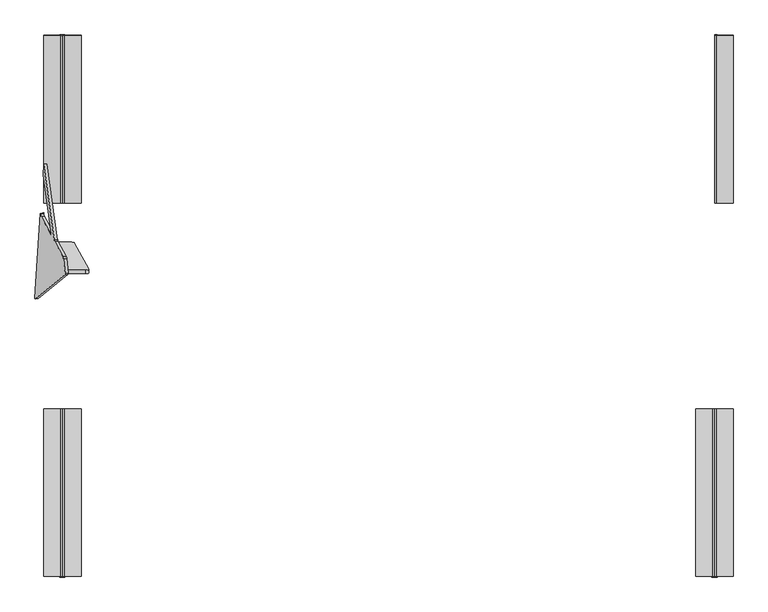
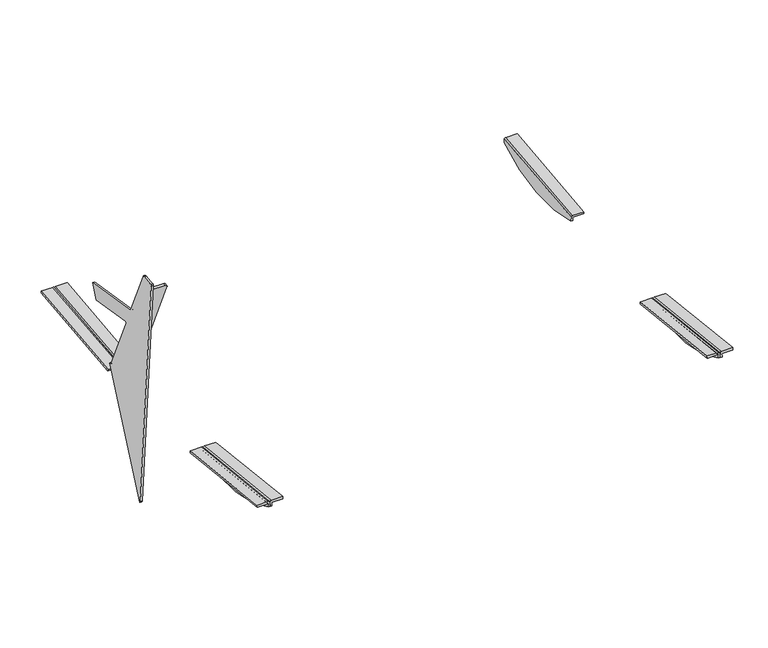
"""IFC4 building model written with IfcOpenShell, lengths in millimetres: furniture geometry."""

from ifc_helpers import new_model, si_unit, frame, origin, place, context, project, spatial, polyline, circle_curve, ellipse_curve, source, transform, mapped, element, save
from ifc_brep_helpers import plane_surface, cylinder_surface, revolved_surface, advanced_brep


def furniture_ec8e394f(model_context):
    return source(origin(), model_context, "Body", "AdvancedBrep", [
        advanced_brep(
        [(813.6175866, 1032.0535086, 392.7020678), (813.6175866, 614.3955054, 347.1443157), (813.6175866, 612.6552624, 363.1060105), (813.6175866, 1030.315645, 408.6419375), (819.6131806, 614.3955054, 347.1443157), (819.6131806, 1032.0535086, 392.7020678), (819.6131806, 1030.7774035, 404.4066392), (819.6131806, 613.1170209, 358.8707122), (817.6175866, 1029.8821093, 412.6183739), (859.6028254, 1029.8821093, 412.6183739), (859.6028254, 1030.6743217, 405.3521172), (820.5642613, 1030.6743217, 405.3521172), (820.5642613, 613.013939, 359.8161902), (859.6028254, 613.013939, 359.8161902), (859.6028254, 612.2217266, 367.0824469), (817.6175866, 612.2217266, 367.0824469)],
        [
            (0, 1, circle_curve(frame((813.6175866, 770.7220857, 851.2475639), z_axis=(-1.0, 0.0, 0.0), x_axis=(0.0, 1.0, 0.0)), 527.7860216)),
            (1, 2),
            (2, 3),
            (3, 0),
            (4, 5, circle_curve(frame((819.6131806, 770.7220857, 851.2475639), z_axis=(1.0, 0.0, 0.0), x_axis=(0.0, 1.0, 0.0)), 527.7860216)),
            (5, 6),
            (6, 7),
            (7, 4),
            (5, 0),
            (3, 8, circle_curve(frame((817.6175866, 1030.315645, 408.6419375), z_axis=(0.0, 0.9941091089617909, 0.10838394474826071), x_axis=(0.0, 0.10838394474826071, -0.9941091089617909)), 4.0)),
            (8, 9),
            (9, 10),
            (10, 11),
            (11, 6, circle_curve(frame((820.5642613, 1030.7774035, 404.4066392), z_axis=(0.0, -0.9941091089617909, -0.10838394474826071), x_axis=(0.0, 0.10838394474826071, -0.9941091089617909)), 0.9510807)),
            (4, 1),
            (7, 12, circle_curve(frame((820.5642613, 613.1170209, 358.8707122), z_axis=(0.0, 0.9941091089617909, 0.10838394474826071), x_axis=(0.0, 0.10838394474826071, -0.9941091089617909)), 0.9510807)),
            (12, 13),
            (13, 14),
            (14, 15),
            (15, 2, circle_curve(frame((817.6175866, 612.6552624, 363.1060105), z_axis=(0.0, -0.9941091089617909, -0.10838394474826071), x_axis=(0.0, 0.10838394474826071, -0.9941091089617909)), 4.0)),
            (9, 14),
            (13, 10),
            (12, 11),
            (15, 8),
        ],
        [
            plane_surface(frame((813.6175866, 1030.8114815, 404.0940726), z_axis=(-1.0, 0.0, 0.0), x_axis=(0.0, 0.10838394474826071, -0.9941091089617909))),
            plane_surface(frame((819.6131806, 1030.8114815, 404.0940726), z_axis=(1.0, 0.0, 0.0), x_axis=(0.0, -0.10838394474826071, 0.9941091089617909))),
            plane_surface(frame((813.6175866, 1030.8114815, 404.0940726), z_axis=(0.0, 0.9941091089617909, 0.10838394474826071), x_axis=(1.0, 0.0, 0.0))),
            cylinder_surface(frame((819.6131806, 770.7220857, 851.2475639), z_axis=(-1.0, 0.0, 0.0), x_axis=(0.0, 1.0, 0.0)), 527.7860216),
            plane_surface(frame((813.6175866, 614.3955054, 347.1443157), z_axis=(0.0, -0.994109108961791, -0.10838394474826041), x_axis=(1.0, 0.0, 0.0))),
            plane_surface(frame((859.6028254, 1029.8821093, 412.6183739), z_axis=(1.0000000000000002, 0.0, 0.0), x_axis=(0.0, -0.994109108961791, -0.10838394474826081))),
            plane_surface(frame((859.6028254, 1030.6743217, 405.3521172), z_axis=(0.0, 0.10838394474826064, -0.994109108961791), x_axis=(0.0, -0.994109108961791, -0.10838394474826064))),
            revolved_surface(polyline([(820.5642613, 613.220102757714, 357.9252342105562), (820.5642613, 1030.8804854548553, 403.46116123677587)]), (820.5642613, 613.1170209, 358.8707122), (0.0, -0.9941091089617909, -0.10838394474826071)),
            cylinder_surface(frame((817.6175866, 612.6552624, 363.1060105), z_axis=(0.0, 0.9941091089617909, 0.10838394474826071), x_axis=(0.0, 0.10838394474826071, -0.9941091089617909)), 4.0),
            plane_surface(frame((817.6175866, 1029.8821093, 412.6183739), z_axis=(0.0, -0.10838394474826081, 0.994109108961791), x_axis=(0.0, -0.994109108961791, -0.10838394474826081))),
        ],
        [
            (0, [[1, 2, 3, 4]]),
            (1, [[5, 6, 7, 8]]),
            (2, [[-6, 9, -4, 10, 11, 12, 13, 14]]),
            (3, [[-1, -9, -5, 15]]),
            (4, [[-2, -15, -8, 16, 17, 18, 19, 20]]),
            (5, [[-12, 21, -18, 22]]),
            (6, [[-13, -22, -17, 23]]),
            (7, [[-14, -23, -16, -7]]),
            (8, [[-10, -3, -20, 24]]),
            (9, [[-11, -24, -19, -21]]),
        ],
    ),
        advanced_brep(
        [(859.6028254, -318.9270883, 412.6183739), (817.6175866, -318.9270883, 412.6183739), (813.6175866, -319.360624, 408.6419375), (813.6175866, -319.8564605, 404.0940726), (813.6175866, -321.0984876, 392.7020678), (819.6131806, -321.0984876, 392.7020678), (819.6131806, -319.8223825, 404.4066392), (820.5642613, -319.7193007, 405.3521172), (859.6028254, -319.7193007, 405.3521172), (859.6028254, 98.7332944, 367.0824469), (859.6028254, 97.941082, 359.8161902), (820.5642613, 97.941082, 359.8161902), (819.6131806, 97.8380001, 358.8707122), (819.6131806, 96.5595156, 347.1443157), (813.6175866, 96.5595156, 347.1443157), (813.6175866, 97.8039221, 358.5581456), (813.6175866, 98.2997586, 363.1060105), (817.6175866, 98.7332944, 367.0824469)],
        [
            (0, 1),
            (1, 2, circle_curve(frame((817.6175866, -319.360624, 408.6419375), z_axis=(0.0, -0.9941091089617909, 0.10838394474826071), x_axis=(0.0, -0.10838394474826071, -0.9941091089617909)), 4.0)),
            (2, 3),
            (3, 4),
            (4, 5),
            (5, 6),
            (6, 7, circle_curve(frame((820.5642613, -319.8223825, 404.4066392), z_axis=(0.0, 0.9941091089617909, -0.10838394474826071), x_axis=(0.0, -0.10838394474826071, -0.9941091089617909)), 0.9510807)),
            (7, 8),
            (8, 0),
            (9, 10),
            (10, 11),
            (11, 12, circle_curve(frame((820.5642613, 97.8380001, 358.8707122), z_axis=(0.0, -0.9941091089617909, 0.10838394474826071), x_axis=(0.0, -0.10838394474826071, -0.9941091089617909)), 0.9510807)),
            (12, 13),
            (13, 14),
            (14, 15),
            (15, 16),
            (16, 17, circle_curve(frame((817.6175866, 98.2997586, 363.1060105), z_axis=(0.0, 0.9941091089617909, -0.10838394474826071), x_axis=(0.0, -0.10838394474826071, -0.9941091089617909)), 4.0)),
            (17, 9),
            (8, 10),
            (9, 0),
            (7, 11),
            (6, 12),
            (5, 13, circle_curve(frame((819.6131806, -59.7670647, 851.2475639), z_axis=(1.0, 0.0, 0.0), x_axis=(0.0, -1.0, 0.0)), 527.7860216)),
            (3, 15),
            (14, 4, circle_curve(frame((813.6175866, -59.7670647, 851.2475639), z_axis=(-1.0, 0.0, 0.0), x_axis=(0.0, -1.0, 0.0)), 527.7860216)),
            (2, 16),
            (1, 17),
        ],
        [
            plane_surface(frame((813.6175929, -318.9270883, 412.6183739), z_axis=(0.0, -0.9941091089617909, 0.10838394474826071), x_axis=(-1.0, 0.0, 0.0))),
            plane_surface(frame((813.6175929, 98.7332944, 367.0824469), z_axis=(0.0, 0.9941091089617909, -0.10838394474826071), x_axis=(1.0, 0.0, 0.0))),
            plane_surface(frame((859.6028254, -319.7193007, 405.3521172), z_axis=(1.0000000000000002, 0.0, 0.0), x_axis=(0.0, 0.994109108961791, -0.10838394474826066))),
            plane_surface(frame((820.5642613, -319.7193007, 405.3521172), z_axis=(0.0, -0.10838394474826066, -0.994109108961791), x_axis=(0.0, 0.994109108961791, -0.10838394474826066))),
            revolved_surface(polyline([(820.5642613, 97.73491824228601, 357.9252342105562), (820.5642613, -319.92546445485533, 403.46116123677587)]), (820.5642613, 97.8380001, 358.8707122), (0.0, 0.9941091089617909, -0.10838394474826071)),
            plane_surface(frame((819.6131806, -320.2027771, 400.9176199), z_axis=(1.0000000000000002, 0.0, 0.0), x_axis=(0.0, 0.994109108961791, -0.10838394474826066))),
            plane_surface(frame((813.6175866, -319.8564605, 404.0940726), z_axis=(-1.0000000000000002, 0.0, 0.0), x_axis=(0.0, 0.994109108961791, -0.10838394474826064))),
            plane_surface(frame((813.6175866, -319.360624, 408.6419375), z_axis=(-1.0000000000000002, 0.0, 0.0), x_axis=(0.0, 0.994109108961791, -0.10838394474826066))),
            cylinder_surface(frame((817.6175866, 98.2997586, 363.1060105), z_axis=(0.0, -0.9941091089617909, 0.10838394474826071), x_axis=(0.0, -0.10838394474826071, -0.9941091089617909)), 4.0),
            plane_surface(frame((859.6028254, -318.9270883, 412.6183739), z_axis=(0.0, 0.10838394474826066, 0.994109108961791), x_axis=(0.0, 0.994109108961791, -0.10838394474826066))),
            cylinder_surface(frame((819.6131806, -59.7670647, 851.2475639), z_axis=(-1.0, 0.0, 0.0), x_axis=(0.0, -1.0, 0.0)), 527.7860216),
        ],
        [
            (0, [[1, 2, 3, 4, 5, 6, 7, 8, 9]]),
            (1, [[10, 11, 12, 13, 14, 15, 16, 17, 18]]),
            (2, [[-9, 19, -10, 20]]),
            (3, [[-8, 21, -11, -19]]),
            (4, [[-7, 22, -12, -21]]),
            (5, [[-13, -22, -6, 23]]),
            (6, [[-4, 24, -15, 25]]),
            (7, [[-3, 26, -16, -24]]),
            (8, [[-2, 27, -17, -26]]),
            (9, [[-1, -20, -18, -27]]),
            (10, [[-25, -14, -23, -5]]),
        ],
    ),
        advanced_brep(
        [(766.5577736, -318.9102447, 412.772865), (766.5577736, -319.7193007, 405.3521172), (805.5963377, -319.7193007, 405.3521172), (806.5474184, -319.8223825, 404.4066392), (806.5474184, -321.0984876, 392.7020678), (812.5430123, -321.0984876, 392.7020678), (812.5430123, -319.8564605, 404.0940726), (812.5430123, -319.3437805, 408.7964286), (808.5430123, -318.9102447, 412.772865), (766.5577736, 98.750138, 367.236938), (808.5430123, 98.750138, 367.236938), (812.5430123, 98.3166022, 363.2605016), (812.5430123, 97.8039221, 358.5581456), (812.5430123, 96.5595156, 347.1443157), (806.5474184, 96.5595156, 347.1443157), (806.5474184, 97.8380001, 358.8707122), (805.5963377, 97.941082, 359.8161902), (766.5577736, 97.941082, 359.8161902)],
        [
            (0, 1),
            (1, 2),
            (2, 3, circle_curve(frame((805.5963377, -319.8223825, 404.4066392), z_axis=(0.0, 0.9941091089617909, -0.10838394474826071), x_axis=(0.0, -0.10838394474826071, -0.9941091089617909)), 0.9510807)),
            (3, 4),
            (4, 5),
            (5, 6),
            (6, 7),
            (7, 8, circle_curve(frame((808.5430123, -319.3437805, 408.7964286), z_axis=(0.0, -0.9941091089617909, 0.10838394474826071), x_axis=(0.0, -0.10838394474826071, -0.9941091089617909)), 4.0)),
            (8, 0),
            (9, 10),
            (10, 11, circle_curve(frame((808.5430123, 98.3166022, 363.2605016), z_axis=(0.0, 0.9941091089617909, -0.10838394474826071), x_axis=(0.0, -0.10838394474826071, -0.9941091089617909)), 4.0)),
            (11, 12),
            (12, 13),
            (13, 14),
            (14, 15),
            (15, 16, circle_curve(frame((805.5963377, 97.8380001, 358.8707122), z_axis=(0.0, -0.9941091089617909, 0.10838394474826071), x_axis=(0.0, -0.10838394474826071, -0.9941091089617909)), 0.9510807)),
            (16, 17),
            (17, 9),
            (0, 9),
            (17, 1),
            (16, 2),
            (15, 3),
            (14, 4, circle_curve(frame((806.5474184, -59.7670647, 851.2475639), z_axis=(-1.0, 0.0, 0.0), x_axis=(0.0, -1.0, 0.0)), 527.7860216)),
            (5, 13, circle_curve(frame((812.5430123, -59.7670647, 851.2475639), z_axis=(1.0, 0.0, 0.0), x_axis=(0.0, -1.0, 0.0)), 527.7860216)),
            (12, 6),
            (11, 7),
            (10, 8),
        ],
        [
            plane_surface(frame((766.5577736, -319.8423819, 404.223203), z_axis=(0.0, -0.9941091089617909, 0.10838394474826071), x_axis=(0.0, -0.10838394474826071, -0.9941091089617909))),
            plane_surface(frame((766.5577736, 97.8180007, 358.6872759), z_axis=(0.0, 0.9941091089617909, -0.10838394474826071), x_axis=(0.0, 0.10838394474826071, 0.9941091089617909))),
            plane_surface(frame((766.5577736, -318.9102447, 412.772865), z_axis=(-1.0000000000000002, 0.0, 0.0), x_axis=(0.0, 0.994109108961791, -0.10838394474826066))),
            plane_surface(frame((766.5577736, -319.7193007, 405.3521172), z_axis=(0.0, -0.10838394474826069, -0.994109108961791), x_axis=(0.0, 0.994109108961791, -0.10838394474826069))),
            revolved_surface(polyline([(805.5963377, 97.73491824228601, 357.9252342105562), (805.5963377, -319.92546445485533, 403.46116123677587)]), (805.5963377, 97.8380001, 358.8707122), (0.0, 0.9941091089617909, -0.10838394474826071)),
            plane_surface(frame((806.5474184, -319.8223825, 404.4066392), z_axis=(-1.0000000000000002, 0.0, 0.0), x_axis=(0.0, 0.994109108961791, -0.10838394474826064))),
            plane_surface(frame((812.5430123, -320.2027771, 400.9176199), z_axis=(1.0000000000000002, 0.0, 0.0), x_axis=(0.0, 0.994109108961791, -0.10838394474826066))),
            plane_surface(frame((812.5430123, -319.8564605, 404.0940726), z_axis=(1.0000000000000002, 0.0, 0.0), x_axis=(0.0, 0.994109108961791, -0.10838394474826066))),
            cylinder_surface(frame((808.5430123, 98.3166022, 363.2605016), z_axis=(0.0, -0.9941091089617909, 0.10838394474826071), x_axis=(0.0, -0.10838394474826071, -0.9941091089617909)), 4.0),
            plane_surface(frame((808.5430123, -318.9102447, 412.772865), z_axis=(0.0, 0.10838394474826066, 0.994109108961791), x_axis=(0.0, 0.994109108961791, -0.10838394474826066))),
            cylinder_surface(frame((806.5474184, -59.7670647, 851.2475639), z_axis=(1.0, 0.0, 0.0), x_axis=(0.0, -1.0, 0.0)), 527.7860216),
        ],
        [
            (0, [[1, 2, 3, 4, 5, 6, 7, 8, 9]]),
            (1, [[10, 11, 12, 13, 14, 15, 16, 17, 18]]),
            (2, [[-1, 19, -18, 20]]),
            (3, [[-2, -20, -17, 21]]),
            (4, [[-3, -21, -16, 22]]),
            (5, [[-4, -22, -15, 23]]),
            (6, [[-6, 24, -13, 25]]),
            (7, [[-7, -25, -12, 26]]),
            (8, [[-8, -26, -11, 27]]),
            (9, [[-9, -27, -10, -19]]),
            (10, [[-24, -5, -23, -14]]),
        ],
    ),
        advanced_brep(
        [(-859.6028254, -318.8982426, 412.8829495), (-859.6028254, -319.7193007, 405.3521172), (-820.5642613, -319.7193007, 405.3521172), (-819.6131806, -319.8223825, 404.4066392), (-819.6131806, -321.0984876, 392.7020678), (-813.6175866, -321.0984876, 392.7020678), (-813.6175866, -319.8564605, 404.0940726), (-813.6175866, -319.3317784, 408.9065131), (-817.6175866, -318.8982426, 412.8829495), (-859.6028254, 98.76214, 367.3470225), (-817.6175866, 98.76214, 367.3470225), (-813.6175866, 98.3286043, 363.3705861), (-813.6175866, 97.8039221, 358.5581456), (-813.6175866, 96.5595156, 347.1443157), (-819.6131806, 96.5595156, 347.1443157), (-819.6131806, 97.8380001, 358.8707122), (-820.5642613, 97.941082, 359.8161902), (-859.6028254, 97.941082, 359.8161902)],
        [
            (0, 1),
            (1, 2),
            (2, 3, circle_curve(frame((-820.5642613, -319.8223825, 404.4066392), z_axis=(0.0, 0.9941091089617909, -0.10838394474826071), x_axis=(0.0, -0.10838394474826071, -0.9941091089617909)), 0.9510807)),
            (3, 4),
            (4, 5),
            (5, 6),
            (6, 7),
            (7, 8, circle_curve(frame((-817.6175866, -319.3317784, 408.9065131), z_axis=(0.0, -0.9941091089617909, 0.10838394474826071), x_axis=(0.0, -0.10838394474826071, -0.9941091089617909)), 4.0)),
            (8, 0),
            (9, 10),
            (10, 11, circle_curve(frame((-817.6175866, 98.3286043, 363.3705861), z_axis=(0.0, 0.9941091089617909, -0.10838394474826071), x_axis=(0.0, -0.10838394474826071, -0.9941091089617909)), 4.0)),
            (11, 12),
            (12, 13),
            (13, 14),
            (14, 15),
            (15, 16, circle_curve(frame((-820.5642613, 97.8380001, 358.8707122), z_axis=(0.0, -0.9941091089617909, 0.10838394474826071), x_axis=(0.0, -0.10838394474826071, -0.9941091089617909)), 0.9510807)),
            (16, 17),
            (17, 9),
            (0, 9),
            (17, 1),
            (16, 2),
            (15, 3),
            (14, 4, circle_curve(frame((-819.6131806, -59.7670647, 851.2475639), z_axis=(-1.0, 0.0, 0.0), x_axis=(0.0, -1.0, 0.0)), 527.7860216)),
            (5, 13, circle_curve(frame((-813.6175866, -59.7670647, 851.2475639), z_axis=(1.0, 0.0, 0.0), x_axis=(0.0, -1.0, 0.0)), 527.7860216)),
            (12, 6),
            (11, 7),
            (10, 8),
        ],
        [
            plane_surface(frame((-859.6028254, -319.8423819, 404.223203), z_axis=(0.0, -0.9941091089617909, 0.10838394474826071), x_axis=(0.0, -0.10838394474826071, -0.9941091089617909))),
            plane_surface(frame((-859.6028254, 97.8180007, 358.6872759), z_axis=(0.0, 0.9941091089617909, -0.10838394474826071), x_axis=(0.0, 0.10838394474826071, 0.9941091089617909))),
            plane_surface(frame((-859.6028254, -318.8982426, 412.8829495), z_axis=(-1.0000000000000002, 0.0, 0.0), x_axis=(0.0, 0.994109108961791, -0.10838394474826066))),
            plane_surface(frame((-859.6028254, -319.7193007, 405.3521172), z_axis=(0.0, -0.10838394474826069, -0.994109108961791), x_axis=(0.0, 0.994109108961791, -0.10838394474826069))),
            revolved_surface(polyline([(-820.5642613, 97.73491824228601, 357.9252342105562), (-820.5642613, -319.92546445485533, 403.46116123677587)]), (-820.5642613, 97.8380001, 358.8707122), (0.0, 0.9941091089617909, -0.10838394474826071)),
            plane_surface(frame((-819.6131806, -319.8223825, 404.4066392), z_axis=(-1.0000000000000002, 0.0, 0.0), x_axis=(0.0, 0.994109108961791, -0.10838394474826064))),
            plane_surface(frame((-813.6175866, -320.2027771, 400.9176199), z_axis=(1.0000000000000002, 0.0, 0.0), x_axis=(0.0, 0.994109108961791, -0.10838394474826066))),
            plane_surface(frame((-813.6175866, -319.8564605, 404.0940726), z_axis=(1.0000000000000002, 0.0, 0.0), x_axis=(0.0, 0.994109108961791, -0.10838394474826066))),
            cylinder_surface(frame((-817.6175866, 98.3286043, 363.3705861), z_axis=(0.0, -0.9941091089617909, 0.10838394474826071), x_axis=(0.0, -0.10838394474826071, -0.9941091089617909)), 4.0),
            plane_surface(frame((-817.6175866, -318.8982426, 412.8829495), z_axis=(0.0, 0.10838394474826066, 0.994109108961791), x_axis=(0.0, 0.994109108961791, -0.10838394474826066))),
            cylinder_surface(frame((-819.6131806, -59.7670647, 851.2475639), z_axis=(1.0, 0.0, 0.0), x_axis=(0.0, -1.0, 0.0)), 527.7860216),
        ],
        [
            (0, [[1, 2, 3, 4, 5, 6, 7, 8, 9]]),
            (1, [[10, 11, 12, 13, 14, 15, 16, 17, 18]]),
            (2, [[-1, 19, -18, 20]]),
            (3, [[-2, -20, -17, 21]]),
            (4, [[-3, -21, -16, 22]]),
            (5, [[-4, -22, -15, 23]]),
            (6, [[-6, 24, -13, 25]]),
            (7, [[-7, -25, -12, 26]]),
            (8, [[-8, -26, -11, 27]]),
            (9, [[-9, -27, -10, -19]]),
            (10, [[-24, -5, -23, -14]]),
        ],
    ),
        advanced_brep(
        [(-812.5430123, 96.5595156, 347.1443157), (-812.5430123, -321.0984876, 392.7020678), (-812.5430123, -319.3233644, 408.9836866), (-812.5430123, 98.3370182, 363.4477596), (-806.5474184, -321.0984876, 392.7020678), (-806.5474184, 96.5595156, 347.1443157), (-806.5474184, 97.8380001, 358.8707122), (-806.5474184, -319.8223825, 404.4066392), (-805.5963377, -319.7193007, 405.3521172), (-766.5577736, -319.7193007, 405.3521172), (-766.5577736, -318.8898286, 412.9601231), (-808.5430123, -318.8898286, 412.9601231), (-808.5430123, 98.770554, 367.4241961), (-766.5577736, 98.770554, 367.4241961), (-766.5577736, 97.941082, 359.8161902), (-805.5963377, 97.941082, 359.8161902)],
        [
            (0, 1, circle_curve(frame((-812.5430123, -59.7670647, 851.2475639), z_axis=(-1.0, 0.0, 0.0), x_axis=(0.0, -1.0, 0.0)), 527.7860216)),
            (1, 2),
            (2, 3),
            (3, 0),
            (4, 5, circle_curve(frame((-806.5474184, -59.7670647, 851.2475639), z_axis=(1.0, 0.0, 0.0), x_axis=(0.0, -1.0, 0.0)), 527.7860216)),
            (5, 6),
            (6, 7),
            (7, 4),
            (1, 4),
            (7, 8, circle_curve(frame((-805.5963377, -319.8223825, 404.4066392), z_axis=(0.0, 0.9941091089617909, -0.10838394474826071), x_axis=(0.0, -0.10838394474826071, -0.9941091089617909)), 0.9510807)),
            (8, 9),
            (9, 10),
            (10, 11),
            (11, 2, circle_curve(frame((-808.5430123, -319.3233644, 408.9836866), z_axis=(0.0, -0.9941091089617909, 0.10838394474826071), x_axis=(0.0, -0.10838394474826071, -0.9941091089617909)), 4.0)),
            (0, 5),
            (3, 12, circle_curve(frame((-808.5430123, 98.3370182, 363.4477596), z_axis=(0.0, 0.9941091089617909, -0.10838394474826071), x_axis=(0.0, -0.10838394474826071, -0.9941091089617909)), 4.0)),
            (12, 13),
            (13, 14),
            (14, 15),
            (15, 6, circle_curve(frame((-805.5963377, 97.8380001, 358.8707122), z_axis=(0.0, -0.9941091089617909, 0.10838394474826071), x_axis=(0.0, -0.10838394474826071, -0.9941091089617909)), 0.9510807)),
            (9, 14),
            (13, 10),
            (8, 15),
            (11, 12),
        ],
        [
            plane_surface(frame((-812.5430123, 97.8039221, 358.5581456), z_axis=(-1.0, 0.0, 0.0), x_axis=(0.0, 0.9941091089617913, -0.10838394474825762))),
            plane_surface(frame((-806.5474184, 97.8039221, 358.5581456), z_axis=(1.0, 0.0, 0.0), x_axis=(0.0, -0.9941091089617913, 0.10838394474825762))),
            plane_surface(frame((-812.5430123, -321.0984876, 392.7020678), z_axis=(0.0, -0.9941091089617909, 0.10838394474826071), x_axis=(1.0, 0.0, 0.0))),
            cylinder_surface(frame((-806.5474184, -59.7670647, 851.2475639), z_axis=(-1.0, 0.0, 0.0), x_axis=(0.0, -1.0, 0.0)), 527.7860216),
            plane_surface(frame((-812.5430123, 97.8039221, 358.5581456), z_axis=(0.0, 0.9941091089617916, -0.10838394474825458), x_axis=(1.0, 0.0, 0.0))),
            plane_surface(frame((-766.5577736, -319.7193007, 405.3521172), z_axis=(1.0000000000000002, 0.0, 0.0), x_axis=(0.0, 0.994109108961791, -0.10838394474826069))),
            plane_surface(frame((-805.5963377, -319.7193007, 405.3521172), z_axis=(0.0, -0.10838394474826069, -0.994109108961791), x_axis=(0.0, 0.994109108961791, -0.10838394474826069))),
            revolved_surface(polyline([(-805.5963377, 97.73491824228601, 357.9252342105562), (-805.5963377, -319.92546445485533, 403.46116123677587)]), (-805.5963377, 97.8380001, 358.8707122), (0.0, 0.9941091089617909, -0.10838394474826071)),
            cylinder_surface(frame((-808.5430123, 98.3370182, 363.4477596), z_axis=(0.0, -0.9941091089617909, 0.10838394474826071), x_axis=(0.0, -0.10838394474826071, -0.9941091089617909)), 4.0),
            plane_surface(frame((-766.5577736, -318.8898286, 412.9601231), z_axis=(0.0, 0.10838394474826066, 0.994109108961791), x_axis=(0.0, 0.994109108961791, -0.10838394474826066))),
        ],
        [
            (0, [[1, 2, 3, 4]]),
            (1, [[5, 6, 7, 8]]),
            (2, [[-2, 9, -8, 10, 11, 12, 13, 14]]),
            (3, [[-1, 15, -5, -9]]),
            (4, [[-6, -15, -4, 16, 17, 18, 19, 20]]),
            (5, [[-12, 21, -18, 22]]),
            (6, [[-11, 23, -19, -21]]),
            (7, [[-10, -7, -20, -23]]),
            (8, [[-14, 24, -16, -3]]),
            (9, [[-13, -22, -17, -24]]),
        ],
    ),
        advanced_brep(
        [(-859.6028254, 1029.8532636, 412.8829495), (-817.6175866, 1029.8532636, 412.8829495), (-813.6175866, 1030.2867994, 408.9065131), (-813.6175866, 1030.8114815, 404.0940726), (-813.6175866, 1032.0535086, 392.7020678), (-819.6131806, 1032.0535086, 392.7020678), (-819.6131806, 1030.7774035, 404.4066392), (-820.5642613, 1030.6743217, 405.3521172), (-859.6028254, 1030.6743217, 405.3521172), (-859.6028254, 612.192881, 367.3470225), (-859.6028254, 613.013939, 359.8161902), (-820.5642613, 613.013939, 359.8161902), (-819.6131806, 613.1170209, 358.8707122), (-819.6131806, 614.3955054, 347.1443157), (-813.6175866, 614.3955054, 347.1443157), (-813.6175866, 613.1510989, 358.5581456), (-813.6175866, 612.6264167, 363.3705861), (-817.6175866, 612.192881, 367.3470225)],
        [
            (0, 1),
            (1, 2, circle_curve(frame((-817.6175866, 1030.2867994, 408.9065131), z_axis=(0.0, 0.9941091089617909, 0.10838394474826071), x_axis=(0.0, 0.10838394474826071, -0.9941091089617909)), 4.0)),
            (2, 3),
            (3, 4),
            (4, 5),
            (5, 6),
            (6, 7, circle_curve(frame((-820.5642613, 1030.7774035, 404.4066392), z_axis=(0.0, -0.9941091089617909, -0.10838394474826071), x_axis=(0.0, 0.10838394474826071, -0.9941091089617909)), 0.9510807)),
            (7, 8),
            (8, 0),
            (9, 10),
            (10, 11),
            (11, 12, circle_curve(frame((-820.5642613, 613.1170209, 358.8707122), z_axis=(0.0, 0.9941091089617909, 0.10838394474826071), x_axis=(0.0, 0.10838394474826071, -0.9941091089617909)), 0.9510807)),
            (12, 13),
            (13, 14),
            (14, 15),
            (15, 16),
            (16, 17, circle_curve(frame((-817.6175866, 612.6264167, 363.3705861), z_axis=(0.0, -0.9941091089617909, -0.10838394474826071), x_axis=(0.0, 0.10838394474826071, -0.9941091089617909)), 4.0)),
            (17, 9),
            (8, 10),
            (9, 0),
            (7, 11),
            (6, 12),
            (5, 13, circle_curve(frame((-819.6131806, 770.7220857, 851.2475639), z_axis=(-1.0, 0.0, 0.0), x_axis=(0.0, 1.0, 0.0)), 527.7860216)),
            (3, 15),
            (14, 4, circle_curve(frame((-813.6175866, 770.7220857, 851.2475639), z_axis=(1.0, 0.0, 0.0), x_axis=(0.0, 1.0, 0.0)), 527.7860216)),
            (2, 16),
            (1, 17),
        ],
        [
            plane_surface(frame((-813.6175866, 1029.8532636, 412.8829495), z_axis=(0.0, 0.9941091089617909, 0.10838394474826071), x_axis=(1.0, 0.0, 0.0))),
            plane_surface(frame((-813.6175866, 612.192881, 367.3470225), z_axis=(0.0, -0.9941091089617909, -0.10838394474826071), x_axis=(-1.0, 0.0, 0.0))),
            plane_surface(frame((-859.6028254, 1030.6743217, 405.3521172), z_axis=(-1.0000000000000002, 0.0, 0.0), x_axis=(0.0, -0.994109108961791, -0.10838394474826064))),
            plane_surface(frame((-820.5642613, 1030.6743217, 405.3521172), z_axis=(0.0, 0.10838394474826064, -0.994109108961791), x_axis=(0.0, -0.994109108961791, -0.10838394474826064))),
            revolved_surface(polyline([(-820.5642613, 613.220102757714, 357.9252342105562), (-820.5642613, 1030.8804854548553, 403.46116123677587)]), (-820.5642613, 613.1170209, 358.8707122), (0.0, -0.9941091089617909, -0.10838394474826071)),
            plane_surface(frame((-819.6131806, 1031.1577981, 400.9176199), z_axis=(-1.0000000000000002, 0.0, 0.0), x_axis=(0.0, -0.994109108961791, -0.10838394474826064))),
            plane_surface(frame((-813.6175866, 1030.8114815, 404.0940726), z_axis=(1.0000000000000002, 0.0, 0.0), x_axis=(0.0, -0.994109108961791, -0.10838394474826064))),
            plane_surface(frame((-813.6175866, 1030.2867994, 408.9065131), z_axis=(1.0000000000000002, 0.0, 0.0), x_axis=(0.0, -0.994109108961791, -0.10838394474826064))),
            cylinder_surface(frame((-817.6175866, 612.6264167, 363.3705861), z_axis=(0.0, 0.9941091089617909, 0.10838394474826071), x_axis=(0.0, 0.10838394474826071, -0.9941091089617909)), 4.0),
            plane_surface(frame((-859.6028254, 1029.8532636, 412.8829495), z_axis=(0.0, -0.10838394474826064, 0.994109108961791), x_axis=(0.0, -0.994109108961791, -0.10838394474826064))),
            cylinder_surface(frame((-819.6131806, 770.7220857, 851.2475639), z_axis=(1.0, 0.0, 0.0), x_axis=(0.0, 1.0, 0.0)), 527.7860216),
        ],
        [
            (0, [[1, 2, 3, 4, 5, 6, 7, 8, 9]]),
            (1, [[10, 11, 12, 13, 14, 15, 16, 17, 18]]),
            (2, [[-9, 19, -10, 20]]),
            (3, [[-8, 21, -11, -19]]),
            (4, [[-7, 22, -12, -21]]),
            (5, [[-13, -22, -6, 23]]),
            (6, [[-4, 24, -15, 25]]),
            (7, [[-3, 26, -16, -24]]),
            (8, [[-2, 27, -17, -26]]),
            (9, [[-1, -20, -18, -27]]),
            (10, [[-25, -14, -23, -5]]),
        ],
    ),
        advanced_brep(
        [(-766.5577736, 1029.8448496, 412.9601231), (-766.5577736, 1030.6743217, 405.3521172), (-805.5963377, 1030.6743217, 405.3521172), (-806.5474184, 1030.7774035, 404.4066392), (-806.5474184, 1032.0535086, 392.7020678), (-812.5430123, 1032.0535086, 392.7020678), (-812.5430123, 1030.8114815, 404.0940726), (-812.5430123, 1030.2783854, 408.9836866), (-808.5430123, 1029.8448496, 412.9601231), (-766.5577736, 612.184467, 367.4241961), (-808.5430123, 612.184467, 367.4241961), (-812.5430123, 612.6180028, 363.4477596), (-812.5430123, 613.1510989, 358.5581456), (-812.5430123, 614.3955054, 347.1443157), (-806.5474184, 614.3955054, 347.1443157), (-806.5474184, 613.1170209, 358.8707122), (-805.5963377, 613.013939, 359.8161902), (-766.5577736, 613.013939, 359.8161902)],
        [
            (0, 1),
            (1, 2),
            (2, 3, circle_curve(frame((-805.5963377, 1030.7774035, 404.4066392), z_axis=(0.0, -0.9941091089617909, -0.10838394474826071), x_axis=(0.0, 0.10838394474826071, -0.9941091089617909)), 0.9510807)),
            (3, 4),
            (4, 5),
            (5, 6),
            (6, 7),
            (7, 8, circle_curve(frame((-808.5430123, 1030.2783854, 408.9836866), z_axis=(0.0, 0.9941091089617909, 0.10838394474826071), x_axis=(0.0, 0.10838394474826071, -0.9941091089617909)), 4.0)),
            (8, 0),
            (9, 10),
            (10, 11, circle_curve(frame((-808.5430123, 612.6180028, 363.4477596), z_axis=(0.0, -0.9941091089617909, -0.10838394474826071), x_axis=(0.0, 0.10838394474826071, -0.9941091089617909)), 4.0)),
            (11, 12),
            (12, 13),
            (13, 14),
            (14, 15),
            (15, 16, circle_curve(frame((-805.5963377, 613.1170209, 358.8707122), z_axis=(0.0, 0.9941091089617909, 0.10838394474826071), x_axis=(0.0, 0.10838394474826071, -0.9941091089617909)), 0.9510807)),
            (16, 17),
            (17, 9),
            (0, 9),
            (17, 1),
            (16, 2),
            (15, 3),
            (14, 4, circle_curve(frame((-806.5474184, 770.7220857, 851.2475639), z_axis=(1.0, 0.0, 0.0), x_axis=(0.0, 1.0, 0.0)), 527.7860216)),
            (5, 13, circle_curve(frame((-812.5430123, 770.7220857, 851.2475639), z_axis=(-1.0, 0.0, 0.0), x_axis=(0.0, 1.0, 0.0)), 527.7860216)),
            (12, 6),
            (11, 7),
            (10, 8),
        ],
        [
            plane_surface(frame((-766.5577736, 1030.7974029, 404.223203), z_axis=(0.0, 0.9941091089617909, 0.10838394474826073), x_axis=(0.0, 0.10838394474826073, -0.9941091089617909))),
            plane_surface(frame((-766.5577736, 613.1370203, 358.6872759), z_axis=(0.0, -0.9941091089617909, -0.10838394474826073), x_axis=(0.0, -0.10838394474826073, 0.9941091089617909))),
            plane_surface(frame((-766.5577736, 1029.8448496, 412.9601231), z_axis=(1.0000000000000002, 0.0, 0.0), x_axis=(0.0, -0.994109108961791, -0.10838394474826064))),
            plane_surface(frame((-766.5577736, 1030.6743217, 405.3521172), z_axis=(0.0, 0.10838394474826064, -0.994109108961791), x_axis=(0.0, -0.994109108961791, -0.10838394474826064))),
            revolved_surface(polyline([(-805.5963377, 613.220102757714, 357.9252342105562), (-805.5963377, 1030.8804854548553, 403.46116123677587)]), (-805.5963377, 613.1170209, 358.8707122), (0.0, -0.9941091089617909, -0.10838394474826071)),
            plane_surface(frame((-806.5474184, 1030.7774035, 404.4066392), z_axis=(1.0000000000000002, 0.0, 0.0), x_axis=(0.0, -0.994109108961791, -0.10838394474826064))),
            plane_surface(frame((-812.5430123, 1031.1577981, 400.9176199), z_axis=(-1.0000000000000002, 0.0, 0.0), x_axis=(0.0, -0.994109108961791, -0.10838394474826081))),
            plane_surface(frame((-812.5430123, 1030.8114815, 404.0940726), z_axis=(-1.0000000000000002, 0.0, 0.0), x_axis=(0.0, -0.994109108961791, -0.10838394474826064))),
            cylinder_surface(frame((-808.5430123, 612.6180028, 363.4477596), z_axis=(0.0, 0.9941091089617909, 0.10838394474826071), x_axis=(0.0, 0.10838394474826071, -0.9941091089617909)), 4.0),
            plane_surface(frame((-808.5430123, 1029.8448496, 412.9601231), z_axis=(0.0, -0.10838394474826064, 0.994109108961791), x_axis=(0.0, -0.994109108961791, -0.10838394474826064))),
            cylinder_surface(frame((-806.5474184, 770.7220857, 851.2475639), z_axis=(-1.0, 0.0, 0.0), x_axis=(0.0, 1.0, 0.0)), 527.7860216),
        ],
        [
            (0, [[1, 2, 3, 4, 5, 6, 7, 8, 9]]),
            (1, [[10, 11, 12, 13, 14, 15, 16, 17, 18]]),
            (2, [[-1, 19, -18, 20]]),
            (3, [[-2, -20, -17, 21]]),
            (4, [[-3, -21, -16, 22]]),
            (5, [[-4, -22, -15, 23]]),
            (6, [[-6, 24, -13, 25]]),
            (7, [[-7, -25, -12, 26]]),
            (8, [[-8, -26, -11, 27]]),
            (9, [[-9, -27, -10, -19]]),
            (10, [[-24, -5, -23, -14]]),
        ],
    ),
        advanced_brep(
        [(-791.2328587, 505.8544939, 503.3842593), (-783.301588, 504.0503298, 509.9877088), (-747.1427984, 438.3761853, 749.0639533), (-755.0440225, 435.9391349, 757.8881152), (-800.2290396, 435.8572515, 757.9536062), (-837.8982285, 505.7699279, 503.4518959), (-755.0563553, 444.6628005, 760.2863677), (-747.1551312, 447.0998509, 751.4622058), (-783.3139208, 512.7739954, 512.3859614), (-791.2451915, 514.5781595, 505.7825119), (-838.8596981, 514.4918735, 505.8515241), (-801.1905091, 444.5791971, 760.3532344), (-880.8633489, 372.9837171, 14.8944279), (-806.2060941, 433.797321, 774.9426086), (-806.2223905, 436.6873001, 778.499374), (-810.120629, 472.7104158, 789.0752934), (-811.1014693, 477.5895695, 786.3705641), (-832.2804167, 516.8962274, 643.2798026), (-833.1217155, 520.6554233, 640.4138721), (-859.5577941, 708.971181, 640.3594265), (-861.2994828, 682.484092, 590.4844823), (-840.7791117, 536.4031676, 590.6481205), (-840.7909312, 532.5415564, 585.5886209), (-866.2037222, 579.7045667, 413.8911008), (-867.5760922, 586.0959716, 409.5484177), (-867.61676, 586.4127996, 409.5831251), (-881.5280215, 374.8544313, 11.2206695), (-872.9871313, 374.0891443, 14.0323223), (-873.6518039, 375.9598585, 10.3585639), (-859.704087, 588.0726289, 409.7649535), (-859.4503645, 586.0959716, 409.5484177), (-858.0779945, 579.7045667, 413.8911008), (-832.6652035, 532.5415564, 585.5886209), (-832.653384, 536.4031676, 590.6481205), (-853.3932206, 684.0464283, 590.4827322), (-851.6815764, 710.0766083, 639.4973209), (-825.2454978, 521.7608506, 639.5517666), (-824.4041991, 518.0016547, 642.417697), (-803.2252516, 478.6949968, 785.5084585), (-802.2444113, 473.815843, 788.2131877), (-798.3461729, 437.7927273, 777.6372684), (-798.3298764, 434.9027483, 774.080503)],
        [
            (0, 1, circle_curve(frame((-791.2178354, 503.7338866, 511.098065), z_axis=(0.0013631459484884575, -0.9642258427672699, -0.26507860338562134), x_axis=(0.14431455675225047, -0.2621142782788855, 0.9541852093968658)), 8.0)),
            (1, 2),
            (2, 3, circle_curve(frame((-755.0590458, 438.0597422, 750.1743095), z_axis=(0.0013631459484884575, -0.9642258427672699, -0.26507860338562134), x_axis=(0.14431455675225047, -0.2621142782788855, 0.9541852093968658)), 8.0)),
            (3, 4),
            (4, 5),
            (5, 0),
            (6, 7, circle_curve(frame((-755.0713786, 446.7834078, 752.572562), z_axis=(-0.0013631459484884575, 0.9642258427672699, 0.26507860338562134), x_axis=(0.14431455675225047, -0.2621142782788855, 0.9541852093968658)), 8.0)),
            (7, 8),
            (8, 9, circle_curve(frame((-791.2301682, 512.4575522, 513.4963176), z_axis=(-0.0013631459484884575, 0.9642258427672699, 0.26507860338562134), x_axis=(0.14431455675225047, -0.2621142782788855, 0.9541852093968658)), 8.0)),
            (9, 10),
            (10, 11),
            (11, 6),
            (2, 7),
            (6, 3),
            (1, 8),
            (0, 9),
            (5, 10),
            (11, 4),
            (12, 13),
            (13, 14, circle_curve(frame((-806.788641, 437.7462061, 774.683869), z_axis=(-0.9845272064646956, -0.13817840671662612, 0.10776320173453142), x_axis=(-0.10809843818608307, -0.005098251508800454, -0.9941271224009949)), 4.0)),
            (14, 15),
            (15, 16, circle_curve(frame((-810.6868794, 473.7693218, 785.2597883), z_axis=(-0.9845272064646956, -0.13817840671662612, 0.10776320173453142), x_axis=(-0.10809843818608307, -0.005098251508800454, -0.9941271224009949)), 4.0)),
            (16, 17),
            (17, 18, circle_curve(frame((-832.6950066, 520.7164752, 644.3905783), z_axis=(0.9845272064646956, 0.13817840671662612, -0.10776320173453142), x_axis=(-0.10809843818608307, -0.005098251508800454, -0.9941271224009949)), 4.0)),
            (18, 19),
            (19, 20),
            (20, 21),
            (21, 22, ellipse_curve(frame((-841.2163098, 536.3986868, 586.648123), z_axis=(0.9845272064646957, 0.13817840671662626, -0.10776320173453155), x_axis=(0.175231788585354, -0.7763454442639399, 0.6054598016712618)), 4.0628639, 4.0)),
            (22, 23),
            (23, 24, ellipse_curve(frame((-866.8370673, 585.4474378, 415.4685906), z_axis=(0.9845272064646957, 0.13817840671662626, -0.10776320173453155), x_axis=(0.175231788585354, -0.7763454442639399, 0.6054598016712618)), 6.049187, 5.9555892)),
            (24, 25),
            (25, 26),
            (26, 12, circle_curve(frame((-881.4454916, 376.929862, 14.6358678), z_axis=(-0.9845272064646956, -0.13817840671662612, 0.10776320173453142), x_axis=(-0.10809843818608307, -0.005098251508800454, -0.9941271224009949)), 3.9972244)),
            (27, 28, circle_curve(frame((-873.5692739, 378.0352893, 13.7737622), z_axis=(0.9845272064646956, 0.13817840671662612, -0.10776320173453142), x_axis=(-0.10809843818608307, -0.005098251508800454, -0.9941271224009949)), 3.9972244)),
            (28, 29),
            (29, 30),
            (30, 31, ellipse_curve(frame((-858.7113396, 585.4474378, 415.4685906), z_axis=(-0.9845272064646957, -0.13817840671662626, 0.10776320173453155), x_axis=(0.175231788585354, -0.7763454442639399, 0.6054598016712618)), 6.049187, 5.9555892)),
            (31, 32),
            (32, 33, ellipse_curve(frame((-833.0905821, 536.3986868, 586.648123), z_axis=(-0.9845272064646957, -0.13817840671662626, 0.10776320173453155), x_axis=(0.175231788585354, -0.7763454442639399, 0.6054598016712618)), 4.0628639, 4.0)),
            (33, 34),
            (34, 35),
            (35, 36),
            (36, 37, circle_curve(frame((-824.8187889, 521.8219024, 643.5284727), z_axis=(-0.9845272064646956, -0.13817840671662612, 0.10776320173453142), x_axis=(-0.10809843818608307, -0.005098251508800454, -0.9941271224009949)), 4.0)),
            (37, 38),
            (38, 39, circle_curve(frame((-802.8106618, 474.8747491, 784.3976827), z_axis=(0.9845272064646956, 0.13817840671662612, -0.10776320173453142), x_axis=(-0.10809843818608307, -0.005098251508800454, -0.9941271224009949)), 4.0)),
            (39, 40),
            (40, 41, circle_curve(frame((-798.9124233, 438.8516333, 773.8217633), z_axis=(0.9845272064646956, 0.13817840671662612, -0.10776320173453142), x_axis=(-0.10809843818608307, -0.005098251508800454, -0.9941271224009949)), 4.0)),
            (41, 27),
            (13, 41),
            (40, 14),
            (12, 27),
            (26, 28),
            (25, 29),
            (19, 35),
            (34, 20),
            (18, 36),
            (17, 37),
            (16, 38),
            (15, 39),
            (21, 33),
            (32, 22),
            (24, 30),
            (23, 31),
        ],
        [
            plane_surface(frame((-804.0386477, 435.8503478, 757.9591278), z_axis=(0.00136314594848843, -0.9642258427672699, -0.26507860338562156), x_axis=(-0.9999973076401405, -0.0018121741131804762, 0.0014493920980659543))),
            plane_surface(frame((-804.0509805, 444.5740134, 760.3573804), z_axis=(-0.00136314594848843, 0.9642258427672699, 0.26507860338562156), x_axis=(0.9999973076401405, 0.0018121741131804762, -0.0014493920980659543))),
            cylinder_surface(frame((-755.0713786, 446.7834078, 752.572562), z_axis=(0.0013631459484884575, -0.9642258427672699, -0.26507860338562134), x_axis=(0.14431455675225047, -0.2621142782788855, 0.9541852093968658)), 8.0),
            plane_surface(frame((-783.301588, 504.0503298, 509.9877088), z_axis=(0.9895309245003536, 0.03955539485439846, -0.1387945250915483), x_axis=(-0.001363145948487992, 0.9642258427672696, 0.26507860338562167))),
            cylinder_surface(frame((-791.2301682, 512.4575522, 513.4963176), z_axis=(0.0013631459484884575, -0.9642258427672699, -0.26507860338562134), x_axis=(0.14431455675225047, -0.2621142782788855, 0.9541852093968658)), 8.0),
            plane_surface(frame((-841.6458762, 505.7631365, 503.4573277), z_axis=(-0.001877909900275728, 0.26507591396566405, -0.9642257169821152), x_axis=(-0.001363145948487992, 0.9642258427672696, 0.26507860338562167))),
            plane_surface(frame((-755.0440225, 435.9391349, 757.8881152), z_axis=(0.001877909900271324, -0.26507591396566405, 0.9642257169821152), x_axis=(-0.001363145948487992, 0.9642258427672696, 0.26507860338562167))),
            plane_surface(frame((-806.2060941, 433.797321, 774.9426086), z_axis=(-0.9845272064646957, -0.13817840671662626, 0.10776320173453155), x_axis=(0.09744806620720972, 0.07937832858943737, 0.9920700355029491))),
            plane_surface(frame((-798.3298764, 434.9027483, 774.080503), z_axis=(0.9845272064646957, 0.13817840671662626, -0.10776320173453155), x_axis=(-0.09744806620720972, -0.07937832858943737, -0.9920700355029491))),
            cylinder_surface(frame((-798.9124233, 438.8516333, 773.8217633), z_axis=(-0.9845272064646956, -0.13817840671662612, 0.10776320173453142), x_axis=(-0.10809843818608307, -0.005098251508800454, -0.9941271224009949)), 4.0),
            plane_surface(frame((-880.8633489, 372.9837171, 14.8944279), z_axis=(0.1456367196942427, -0.9872212562883768, 0.06468490557386639), x_axis=(0.9845272064646944, 0.13817840671663073, -0.10776320173453648))),
            cylinder_surface(frame((-873.5692739, 378.0352893, 13.7737622), z_axis=(-0.9845272064646956, -0.13817840671662612, 0.10776320173453142), x_axis=(-0.10809843818608307, -0.005098251508800454, -0.9941271224009949)), 3.9972244),
            plane_surface(frame((-859.5577941, 708.971181, 640.3594265), z_axis=(-0.1724989104392053, 0.8724250405319146, -0.45729495355861327), x_axis=(0.9845272064646944, 0.13817840671663073, -0.10776320173453648))),
            plane_surface(frame((-833.1217155, 520.6554233, 640.4138722), z_axis=(0.10667723092490335, 0.015262962519211913, 0.9941765488972933), x_axis=(0.9845272064646967, 0.13817840671661413, -0.10776320173453674))),
            revolved_surface(polyline([(-825.2511826331016, 521.8015093967217, 639.551964208246), (-833.1274003424797, 520.696082134896, 640.4140698284336)]), (-824.8187889, 521.8219024, 643.5284727), (0.9845272064646956, 0.13817840671662612, -0.10776320173453142)),
            plane_surface(frame((-811.1014693, 477.5895695, 786.3705641), z_axis=(-0.10364746347884772, 0.9550619256550315, 0.2776939348968649), x_axis=(0.9845272064646944, 0.13817840671663073, -0.10776320173453648))),
            cylinder_surface(frame((-802.8106618, 474.8747491, 784.3976827), z_axis=(-0.9845272064646956, -0.13817840671662612, 0.10776320173453142), x_axis=(-0.10809843818608307, -0.005098251508800454, -0.9941271224009949)), 4.0),
            plane_surface(frame((-806.2223905, 436.6873001, 778.499374), z_axis=(0.14156261468824904, -0.26472650457534264, 0.9538762518785903), x_axis=(0.9845272064646944, 0.13817840671663073, -0.10776320173453648))),
            revolved_surface(polyline([(-832.3786391920241, 540.3986868, 586.648123), (-841.9282527079758, 540.3986868, 586.648123)]), (-919.9232064, 536.3986868, 586.648123), (1.0, 0.0, 0.0)),
            plane_surface(frame((-812.6404131, 991.626389, 590.1381847), z_axis=(0.0, -0.0011201877232388628, -0.9999993725895355), x_axis=(-1.0, 0.0, 0.0))),
            plane_surface(frame((-812.6404131, 586.0959716, 409.5484177), z_axis=(0.0, -0.10889498268372896, 0.994053259511939), x_axis=(-1.0, 0.0, 0.0))),
            revolved_surface(polyline([(-857.6513297425028, 591.403027, 415.4685906), (-867.8970771574972, 591.403027, 415.4685906)]), (-919.9232064, 585.4474378, 415.4685906), (1.0, 0.0, 0.0)),
            plane_surface(frame((-812.6404131, 532.5415564, 585.5886209), z_axis=(0.0, 0.9642826121585463, 0.2648755252730813), x_axis=(-1.0, 0.0, 0.0))),
        ],
        [
            (0, [[1, 2, 3, 4, 5, 6]]),
            (1, [[7, 8, 9, 10, 11, 12]]),
            (2, [[-3, 13, -7, 14]]),
            (3, [[-2, 15, -8, -13]]),
            (4, [[-1, 16, -9, -15]]),
            (5, [[-16, -6, 17, -10]]),
            (6, [[-14, -12, 18, -4]]),
            (7, [[19, 20, 21, 22, 23, 24, 25, 26, 27, 28, 29, 30, 31, 32, 33]]),
            (8, [[34, 35, 36, 37, 38, 39, 40, 41, 42, 43, 44, 45, 46, 47, 48], [-5, -18, -11, -17]]),
            (9, [[-20, 49, -47, 50]]),
            (10, [[-19, 51, -48, -49]]),
            (11, [[-33, 52, -34, -51]]),
            (12, [[-52, -32, 53, -35]]),
            (12, [[54, -41, 55, -26]]),
            (13, [[-25, 56, -42, -54]]),
            (14, [[-24, 57, -43, -56]]),
            (15, [[-23, 58, -44, -57]]),
            (16, [[-22, 59, -45, -58]]),
            (17, [[-21, -50, -46, -59]]),
            (18, [[60, -39, 61, -28]]),
            (19, [[-60, -27, -55, -40]]),
            (20, [[62, -36, -53, -31]]),
            (21, [[-62, -30, 63, -37]]),
            (22, [[-63, -29, -61, -38]]),
        ],
    ),
    ])


if __name__ == "__main__":
    model = new_model("IFC4")
    model_context = context("Model", 3, world=origin())
    ifc_project = project(units=[si_unit("LENGTHUNIT", "METRE", prefix="MILLI")], contexts=[model_context])
    site = spatial("IfcSite", under=ifc_project)
    building = spatial("IfcBuilding", under=site)
    placement = place(None, origin())
    furniture_shape = furniture_ec8e394f(model_context)
    element("IfcFurniture", 1, at=placement, inside=building, context=model_context, shape_type="MappedRepresentation", body=[
        mapped(furniture_shape, transform((0.0, 0.0, 0.0), x_axis=(1.0, 0.0, 0.0), y_axis=(0.0, 1.0, 0.0), z_axis=(0.0, 0.0, 1.0))),
    ])
    save(model, "model.ifc")
